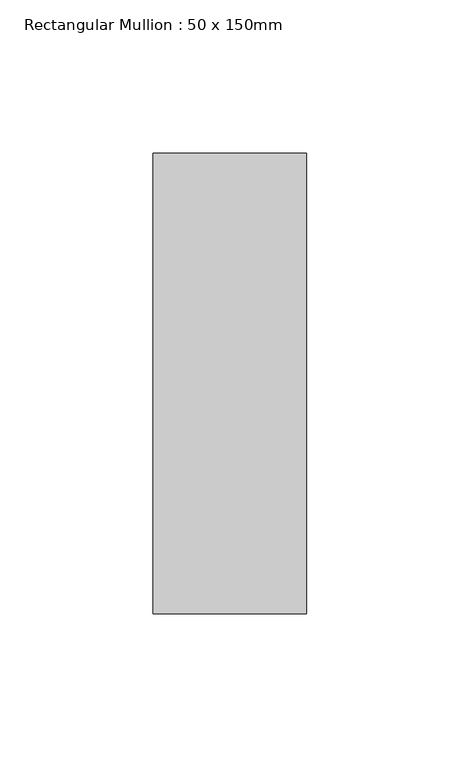
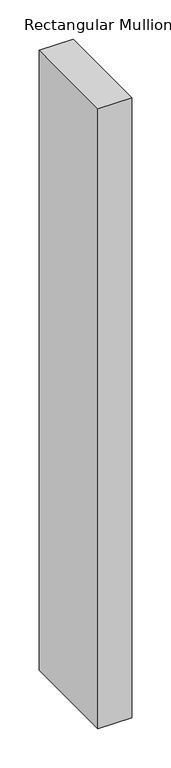
"""IFC4 building model written with IfcOpenShell, lengths in millimetres: member geometry, Rectangular Mullion : 50 x 150mm."""

from ifc_helpers import new_model, si_unit, frame, origin, place, context, project, spatial, polyline, outline, extrude, source, transform, mapped, element, save


def rectangular_mullion_50_x_150mm_3a7f9f88(model_context):
    return source(origin(), model_context, "Body", "SweptSolid", [
        extrude(outline(polyline([(0.0, 75.0), (0.0, -75.0), (-50.0, -75.0), (-50.0, 75.0), (0.0, 75.0)])), frame((0.0, 0.0, -966.6666668), z_axis=(0.0, 0.0, 1.0), x_axis=(1.0, 0.0, 0.0)), (0.0, 0.0, 1.0), 966.6666668),
    ])


if __name__ == "__main__":
    model = new_model("IFC4")
    model_context = context("Model", 3, world=origin())
    ifc_project = project(units=[si_unit("LENGTHUNIT", "METRE", prefix="MILLI")], contexts=[model_context])
    site = spatial("IfcSite", under=ifc_project)
    building = spatial("IfcBuilding", under=site)
    placement = place(None, origin())
    rectangular_mullion_50_x_150mm_shape = rectangular_mullion_50_x_150mm_3a7f9f88(model_context)
    element("IfcMember", 1, ObjectType="Rectangular Mullion : 50 x 150mm", at=placement, inside=building, context=model_context, shape_type="MappedRepresentation", body=[
        mapped(rectangular_mullion_50_x_150mm_shape, transform((0.0, 0.0, 0.0), x_axis=(1.0, 0.0, 0.0), y_axis=(0.0, 1.0, 0.0), z_axis=(0.0, 0.0, 1.0))),
    ])
    save(model, "model.ifc")
